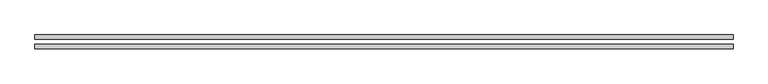
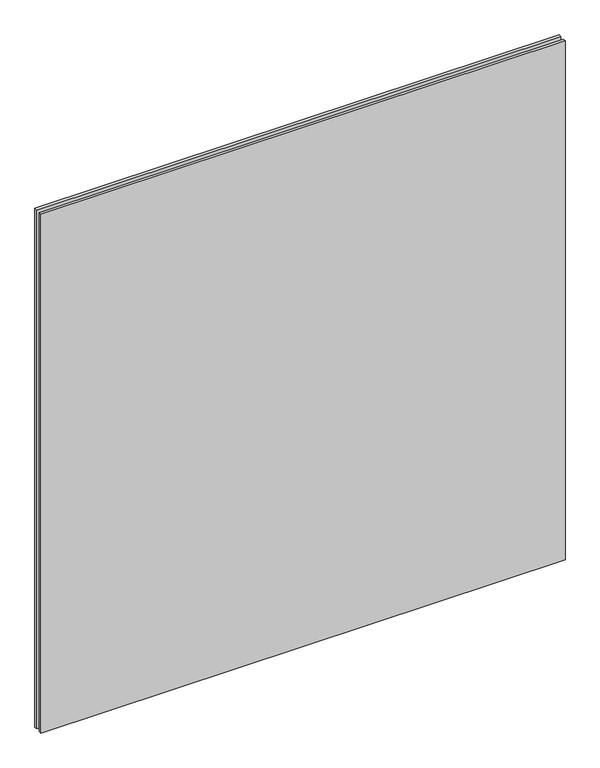
"""IFC4 building model written with IfcOpenShell, lengths in millimetres: plate geometry."""

from ifc_helpers import new_model, si_unit, origin, origin_with_axes, place, context, project, spatial, polyline, outline, extrude, source, transform, mapped, element, save


def plate_785a8c0b(model_context):
    return source(origin(), model_context, "Body", "SweptSolid", [
        extrude(outline(polyline([(623.75, -4.5), (623.75, -12.5), (-623.75, -12.5), (-623.75, -4.5), (623.75, -4.5)])), origin_with_axes(), (0.0, 0.0, 1.0), 1305.0),
        extrude(outline(polyline([(623.75, 4.5), (-623.75, 4.5), (-623.75, 12.5), (623.75, 12.5), (623.75, 4.5)])), origin_with_axes(), (0.0, 0.0, 1.0), 1305.0),
    ])


if __name__ == "__main__":
    model = new_model("IFC4")
    model_context = context("Model", 3, world=origin())
    ifc_project = project(units=[si_unit("LENGTHUNIT", "METRE", prefix="MILLI")], contexts=[model_context])
    site = spatial("IfcSite", under=ifc_project)
    building = spatial("IfcBuilding", under=site)
    placement = place(None, origin())
    plate_shape = plate_785a8c0b(model_context)
    element("IfcPlate", 1, at=placement, inside=building, context=model_context, shape_type="MappedRepresentation", body=[
        mapped(plate_shape, transform((0.0, 0.0, 0.0), x_axis=(1.0, 0.0, 0.0), y_axis=(0.0, 1.0, 0.0), z_axis=(0.0, 0.0, 1.0))),
    ])
    save(model, "model.ifc")
